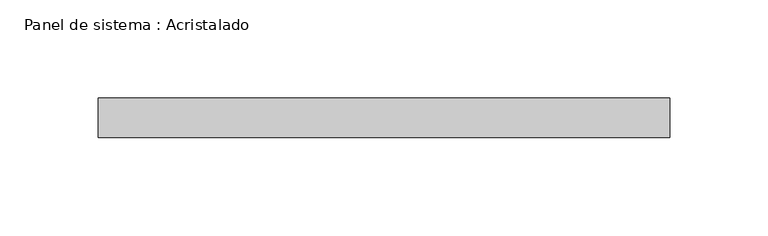
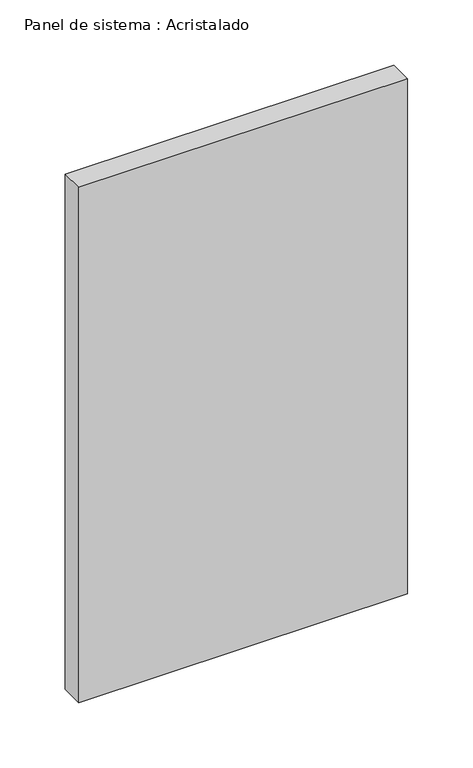
"""IFC4 building model written with IfcOpenShell, lengths in millimetres: plate geometry, Panel de sistema : Acristalado."""

from ifc_helpers import new_model, si_unit, origin, origin_with_axes, place, context, project, spatial, polyline, outline, extrude, source, transform, mapped, element, save


def panel_de_sistema_acristalado_acf077bf(model_context):
    return source(origin(), model_context, "Body", "SweptSolid", [
        extrude(outline(polyline([(145.0, -10.0), (-145.0, -10.0), (-145.0, 10.0), (145.0, 10.0), (145.0, -10.0)])), origin_with_axes(), (0.0, 0.0, 1.0), 480.0197469),
    ])


if __name__ == "__main__":
    model = new_model("IFC4")
    model_context = context("Model", 3, world=origin())
    ifc_project = project(units=[si_unit("LENGTHUNIT", "METRE", prefix="MILLI")], contexts=[model_context])
    site = spatial("IfcSite", under=ifc_project)
    building = spatial("IfcBuilding", under=site)
    placement = place(None, origin())
    panel_de_sistema_acristalado_shape = panel_de_sistema_acristalado_acf077bf(model_context)
    element("IfcPlate", 1, ObjectType="Panel de sistema : Acristalado", at=placement, inside=building, context=model_context, shape_type="MappedRepresentation", body=[
        mapped(panel_de_sistema_acristalado_shape, transform((0.0, 0.0, 0.0), x_axis=(1.0, 0.0, 0.0), y_axis=(0.0, 1.0, 0.0), z_axis=(0.0, 0.0, 1.0))),
    ])
    save(model, "model.ifc")
